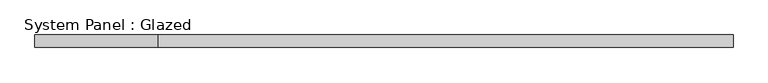
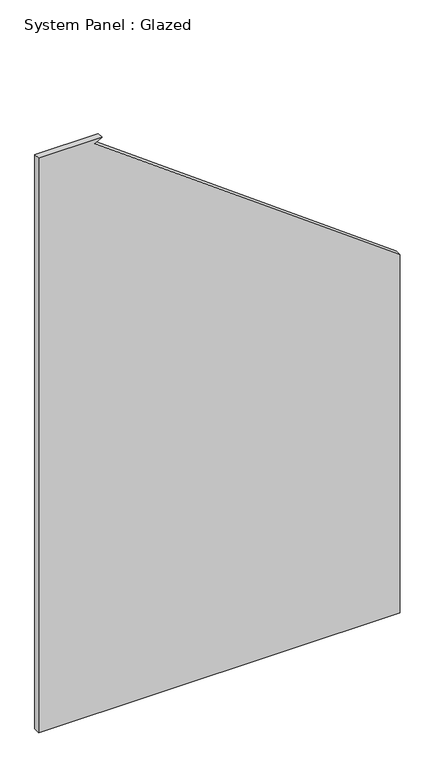
"""IFC4 building model written with IfcOpenShell, lengths in millimetres: plate geometry, System Panel : Glazed."""

from ifc_helpers import new_model, si_unit, frame, origin, place, context, project, spatial, polyline, outline, extrude, source, transform, mapped, element, save


def system_panel_glazed_ab4d247f(model_context):
    return source(origin(), model_context, "Body", "SweptSolid", [
        extrude(outline(polyline([(0.0, -699.256285), (0.0, 699.256285), (1465.3691793, 699.256285), (2334.7180629, -483.0068876), (2350.0, -453.3865308), (2350.0, -699.256285), (0.0, -699.256285)])), frame((0.0, -49.5, 0.0), z_axis=(0.0, 1.0, 0.0), x_axis=(0.0, 0.0, 1.0)), (0.0, 0.0, 1.0), 25.0),
    ])


if __name__ == "__main__":
    model = new_model("IFC4")
    model_context = context("Model", 3, world=origin())
    ifc_project = project(units=[si_unit("LENGTHUNIT", "METRE", prefix="MILLI")], contexts=[model_context])
    site = spatial("IfcSite", under=ifc_project)
    building = spatial("IfcBuilding", under=site)
    placement = place(None, origin())
    system_panel_glazed_shape = system_panel_glazed_ab4d247f(model_context)
    element("IfcPlate", 1, ObjectType="System Panel : Glazed", at=placement, inside=building, context=model_context, shape_type="MappedRepresentation", body=[
        mapped(system_panel_glazed_shape, transform((0.0, 0.0, 0.0), x_axis=(1.0, 0.0, 0.0), y_axis=(0.0, 1.0, 0.0), z_axis=(0.0, 0.0, 1.0))),
    ])
    save(model, "model.ifc")
